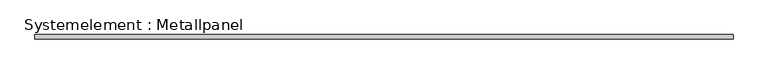
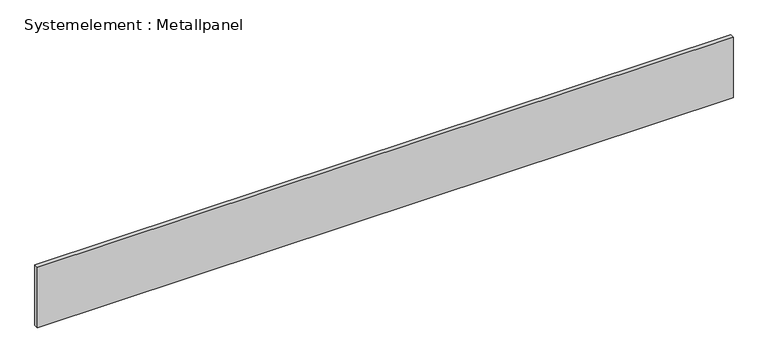
"""IFC4 building model written with IfcOpenShell, lengths in millimetres: plate geometry, Systemelement : Metallpanel."""

from ifc_helpers import new_model, si_unit, origin, origin_with_axes, place, context, project, spatial, polyline, outline, extrude, source, transform, mapped, element, save


def systemelement_metallpanel_4fd8388a(model_context):
    return source(origin(), model_context, "Body", "SweptSolid", [
        extrude(outline(polyline([(2499.9999997, -15.0), (-2499.9999997, -15.0), (-2499.9999997, 15.0), (2499.9999997, 15.0), (2499.9999997, -15.0)])), origin_with_axes(), (0.0, 0.0, 1.0), 460.0),
    ])


if __name__ == "__main__":
    model = new_model("IFC4")
    model_context = context("Model", 3, world=origin())
    ifc_project = project(units=[si_unit("LENGTHUNIT", "METRE", prefix="MILLI")], contexts=[model_context])
    site = spatial("IfcSite", under=ifc_project)
    building = spatial("IfcBuilding", under=site)
    placement = place(None, origin())
    systemelement_metallpanel_shape = systemelement_metallpanel_4fd8388a(model_context)
    element("IfcPlate", 1, ObjectType="Systemelement : Metallpanel", at=placement, inside=building, context=model_context, shape_type="MappedRepresentation", body=[
        mapped(systemelement_metallpanel_shape, transform((0.0, 0.0, 0.0), x_axis=(1.0, 0.0, 0.0), y_axis=(0.0, 1.0, 0.0), z_axis=(0.0, 0.0, 1.0))),
    ])
    save(model, "model.ifc")
